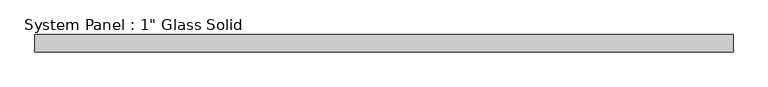
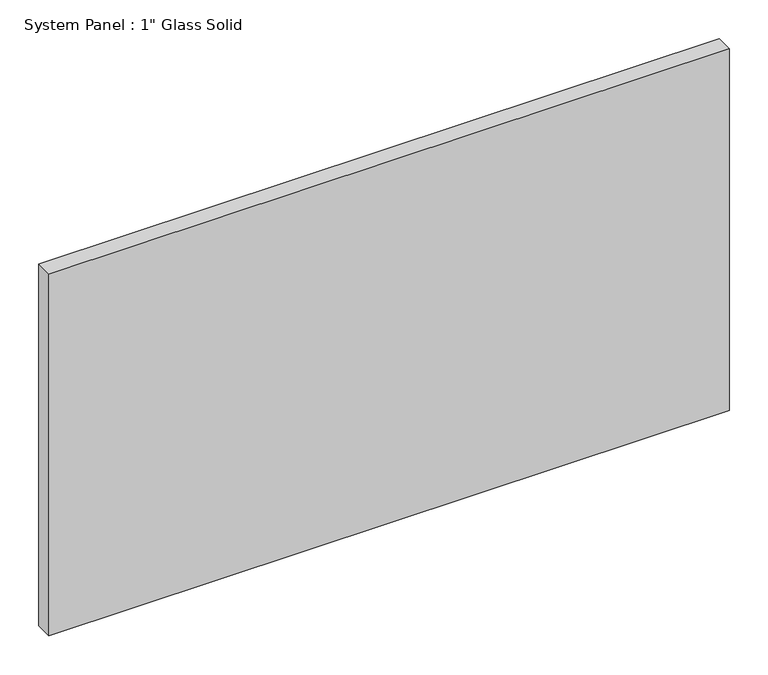
"""IFC4 building model written with IfcOpenShell, lengths in millimetres: plate geometry."""

from ifc_helpers import new_model, si_unit, origin, origin_with_axes, place, context, project, spatial, polyline, outline, extrude, source, transform, mapped, element, save


def plate_0fd45c74(model_context):
    return source(origin(), model_context, "Body", "SweptSolid", [
        extrude(outline(polyline([(504.825, -12.7), (-504.825, -12.7), (-504.825, 12.7), (504.825, 12.7), (504.825, -12.7)])), origin_with_axes(), (0.0, 0.0, 1.0), 568.325),
    ])


if __name__ == "__main__":
    model = new_model("IFC4")
    model_context = context("Model", 3, world=origin())
    ifc_project = project(units=[si_unit("LENGTHUNIT", "METRE", prefix="MILLI")], contexts=[model_context])
    site = spatial("IfcSite", under=ifc_project)
    building = spatial("IfcBuilding", under=site)
    placement = place(None, origin())
    plate_shape = plate_0fd45c74(model_context)
    element("IfcPlate", 1, ObjectType="System Panel : 1\" Glass Solid", at=placement, inside=building, context=model_context, shape_type="MappedRepresentation", body=[
        mapped(plate_shape, transform((0.0, 0.0, 0.0), x_axis=(1.0, 0.0, 0.0), y_axis=(0.0, 1.0, 0.0), z_axis=(0.0, 0.0, 1.0))),
    ])
    save(model, "model.ifc")
